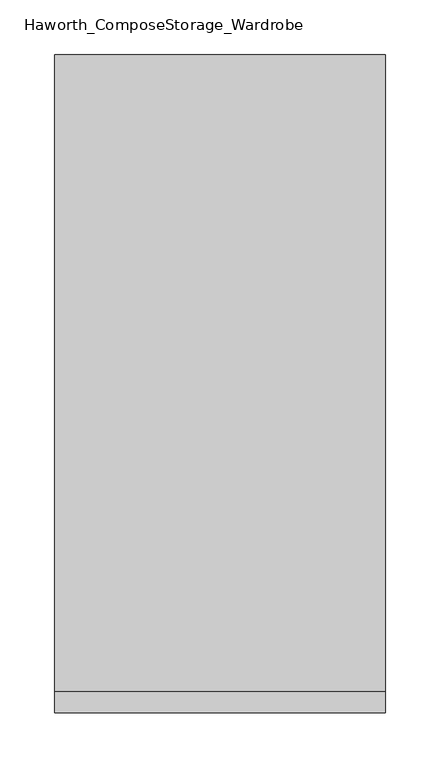
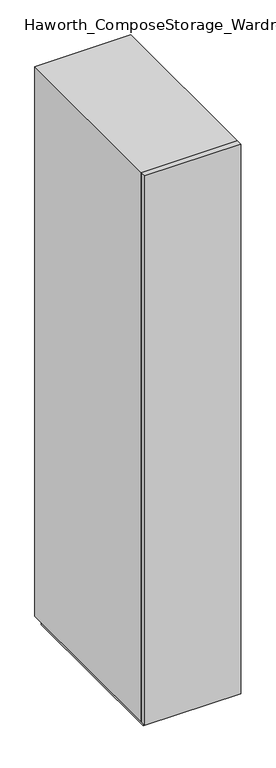
"""IFC4 building model written with IfcOpenShell, lengths in millimetres: furniture geometry, Haworth_ComposeStorage_Wardrobe."""

from ifc_helpers import new_model, si_unit, frame, origin, origin_with_axes, place, context, project, spatial, polyline, outline, extrude, faceted_brep, source, transform, mapped, element, save


def haworth_composestorage_wardrobe_c729f094(model_context):
    return source(origin(), model_context, "Body", "SolidModel", [
        extrude(outline(polyline([(150.8263906, -309.5625), (-150.7986094, -309.5625), (-150.7986094, -290.5125), (150.8263906, -290.5125), (150.8263906, -309.5625)])), frame((0.0, 0.0, 25.4), z_axis=(0.0, 0.0, 1.0), x_axis=(1.0, 0.0, 0.0)), (0.0, 0.0, 1.0), 1828.8),
        faceted_brep([(-150.7986094, -290.5125, 25.4), (150.8263906, -290.5125, 25.4), (150.8263906, -290.5125, 1854.2), (-150.7986094, -290.5125, 1854.2), (-131.7486094, -290.5125, 44.45), (-131.7486094, -290.5125, 1835.15), (131.7486094, -290.5125, 1835.15), (131.7486094, -290.5125, 44.45), (-150.7986094, 290.5125, 25.4), (-150.7986094, 290.5125, 1854.2), (150.8263906, 290.5125, 1854.2), (150.8263906, 290.5125, 25.4), (-131.7486094, 271.4625, 44.45), (-131.7486094, 271.4625, 1835.15), (131.7486094, 271.4625, 1835.15), (131.7486094, 271.4625, 44.45)], [[[0, 1, 2, 3], [4, 5, 6, 7]], [[8, 9, 10, 11]], [[1, 0, 8, 11]], [[2, 1, 11, 10]], [[3, 2, 10, 9]], [[0, 3, 9, 8]], [[5, 4, 12, 13]], [[6, 5, 13, 14]], [[7, 6, 14, 15]], [[4, 7, 15, 12]], [[13, 12, 15, 14]]]),
        extrude(outline(polyline([(138.1263906, -277.8125), (-138.0986094, -277.8125), (-138.0986094, 277.8125), (138.1263906, 277.8125), (138.1263906, -277.8125)])), origin_with_axes(), (0.0, 0.0, 1.0), 25.4),
    ])


if __name__ == "__main__":
    model = new_model("IFC4")
    model_context = context("Model", 3, world=origin())
    ifc_project = project(units=[si_unit("LENGTHUNIT", "METRE", prefix="MILLI")], contexts=[model_context])
    site = spatial("IfcSite", under=ifc_project)
    building = spatial("IfcBuilding", under=site)
    placement = place(None, origin())
    haworth_composestorage_wardrobe_shape = haworth_composestorage_wardrobe_c729f094(model_context)
    element("IfcFurniture", 1, ObjectType="Haworth_ComposeStorage_Wardrobe", at=placement, inside=building, context=model_context, shape_type="MappedRepresentation", body=[
        mapped(haworth_composestorage_wardrobe_shape, transform((0.0, 0.0, 0.0), x_axis=(1.0, 0.0, 0.0), y_axis=(0.0, 1.0, 0.0), z_axis=(0.0, 0.0, 1.0))),
    ])
    save(model, "model.ifc")
